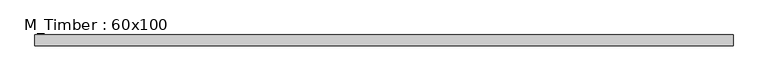
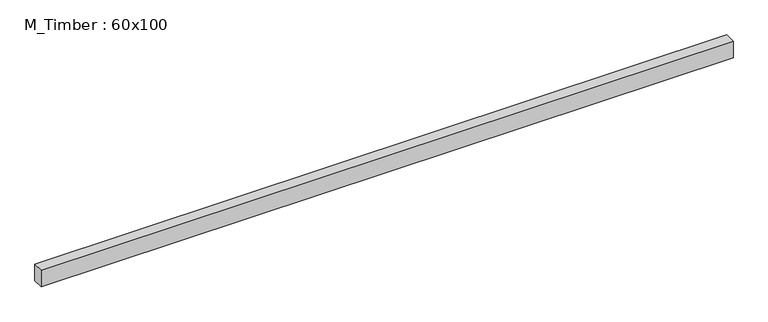
"""IFC4 building model written with IfcOpenShell, lengths in millimetres: beam geometry, M_Timber : 60x100."""

from ifc_helpers import new_model, si_unit, frame, origin, place, context, project, spatial, polyline, outline, extrude, source, transform, mapped, element, save


def m_timber_60x100_8b6e30fc(model_context):
    return source(origin(), model_context, "Body", "SweptSolid", [
        extrude(outline(polyline([(1958.5742923, 30.0), (1958.5742923, -30.0), (-1939.5634834, -30.0), (-1939.5634834, 30.0), (1958.5742923, 30.0)])), frame((0.0, 0.0, -50.0), z_axis=(0.0, 0.0, 1.0), x_axis=(1.0, 0.0, 0.0)), (0.0, 0.0, 1.0), 100.0),
    ])


if __name__ == "__main__":
    model = new_model("IFC4")
    model_context = context("Model", 3, world=origin())
    ifc_project = project(units=[si_unit("LENGTHUNIT", "METRE", prefix="MILLI")], contexts=[model_context])
    site = spatial("IfcSite", under=ifc_project)
    building = spatial("IfcBuilding", under=site)
    placement = place(None, origin())
    m_timber_60x100_shape = m_timber_60x100_8b6e30fc(model_context)
    element("IfcBeam", 1, ObjectType="M_Timber : 60x100", at=placement, inside=building, context=model_context, shape_type="MappedRepresentation", body=[
        mapped(m_timber_60x100_shape, transform((0.0, 0.0, 0.0), x_axis=(1.0, 0.0, 0.0), y_axis=(0.0, 1.0, 0.0), z_axis=(0.0, 0.0, 1.0))),
    ])
    save(model, "model.ifc")
